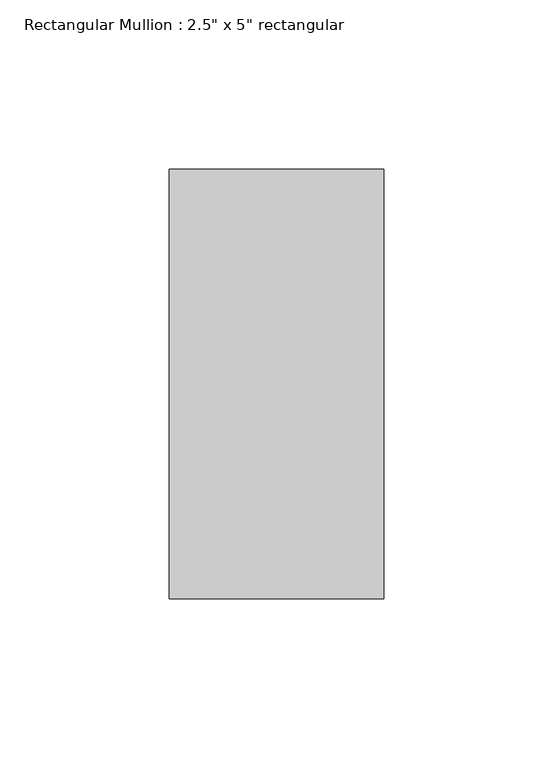
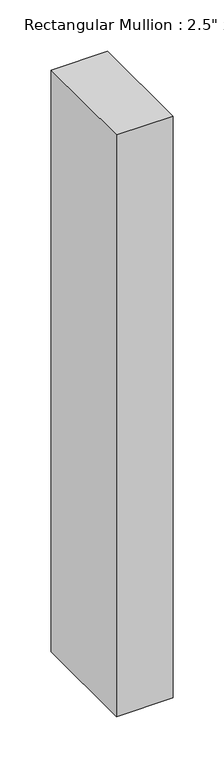
"""IFC4 building model written with IfcOpenShell, lengths in millimetres: member geometry."""

from ifc_helpers import new_model, si_unit, frame, origin, place, context, project, spatial, polyline, outline, extrude, source, transform, mapped, element, save


def member_6b09a2c0(model_context):
    return source(origin(), model_context, "Body", "SweptSolid", [
        extrude(outline(polyline([(31.75, 63.5), (31.75, -63.5), (-31.75, -63.5), (-31.75, 63.5), (31.75, 63.5)])), frame((0.0, 0.0, -691.7913945), z_axis=(0.0, 0.0, 1.0), x_axis=(1.0, 0.0, 0.0)), (0.0, 0.0, 1.0), 691.7913945),
    ])


if __name__ == "__main__":
    model = new_model("IFC4")
    model_context = context("Model", 3, world=origin())
    ifc_project = project(units=[si_unit("LENGTHUNIT", "METRE", prefix="MILLI")], contexts=[model_context])
    site = spatial("IfcSite", under=ifc_project)
    building = spatial("IfcBuilding", under=site)
    placement = place(None, origin())
    member_shape = member_6b09a2c0(model_context)
    element("IfcMember", 1, ObjectType="Rectangular Mullion : 2.5\" x 5\" rectangular", at=placement, inside=building, context=model_context, shape_type="MappedRepresentation", body=[
        mapped(member_shape, transform((0.0, 0.0, 0.0), x_axis=(1.0, 0.0, 0.0), y_axis=(0.0, 1.0, 0.0), z_axis=(0.0, 0.0, 1.0))),
    ])
    save(model, "model.ifc")
